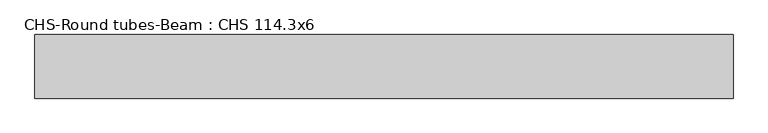
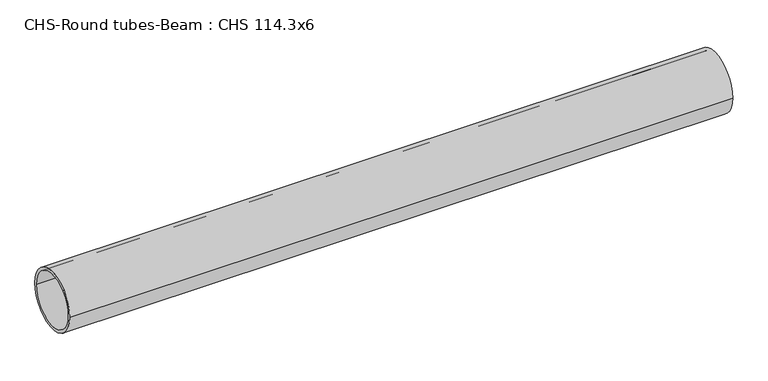
"""IFC4 building model written with IfcOpenShell, lengths in millimetres: beam geometry, CHS-Round tubes-Beam : CHS 114.3x6."""

from ifc_helpers import new_model, si_unit, point, frame, origin, origin_2d, place, context, project, spatial, circle_curve, trimmed, segment, composite_curve, outline, extrude, source, transform, mapped, element, save


def chs_round_tubes_beam_chs_114_3x6_132f40f2(model_context):
    return source(origin(), model_context, "Body", "SweptSolid", [
        extrude(outline(composite_curve([segment(trimmed(circle_curve(origin_2d(), 57.15), [point((57.15, 0.0))], [point((-57.15, 0.0))], False, "CARTESIAN"), True, "CONTINUOUS"), segment(trimmed(circle_curve(origin_2d(), 57.15), [point((-57.15, 0.0))], [point((57.15, 0.0))], False, "CARTESIAN"), True, "CONTINUOUS")], self_intersect=False), holes=[composite_curve([segment(trimmed(circle_curve(origin_2d(), 51.15), [point((51.15, 0.0))], [point((-51.15, 0.0))], True, "CARTESIAN"), True, "CONTINUOUS"), segment(trimmed(circle_curve(origin_2d(), 51.15), [point((-51.15, 0.0))], [point((51.15, 0.0))], True, "CARTESIAN"), True, "CONTINUOUS")], self_intersect=False)]), frame((-626.8372541, 0.0, 0.0), z_axis=(1.0, 0.0, 0.0), x_axis=(0.0, 1.0, 0.0)), (0.0, 0.0, 1.0), 1253.6755459),
    ])


if __name__ == "__main__":
    model = new_model("IFC4")
    model_context = context("Model", 3, world=origin())
    ifc_project = project(units=[si_unit("LENGTHUNIT", "METRE", prefix="MILLI")], contexts=[model_context])
    site = spatial("IfcSite", under=ifc_project)
    building = spatial("IfcBuilding", under=site)
    placement = place(None, origin())
    chs_round_tubes_beam_chs_114_3x6_shape = chs_round_tubes_beam_chs_114_3x6_132f40f2(model_context)
    element("IfcBeam", 1, ObjectType="CHS-Round tubes-Beam : CHS 114.3x6", at=placement, inside=building, context=model_context, shape_type="MappedRepresentation", body=[
        mapped(chs_round_tubes_beam_chs_114_3x6_shape, transform((0.0, 0.0, 0.0), x_axis=(1.0, 0.0, 0.0), y_axis=(0.0, 1.0, 0.0), z_axis=(0.0, 0.0, 1.0))),
    ])
    save(model, "model.ifc")
